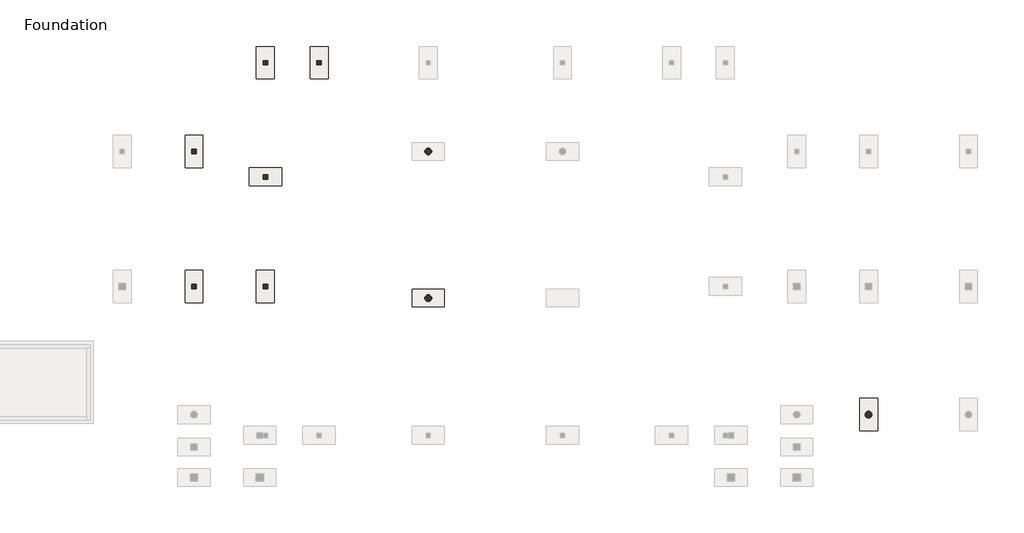
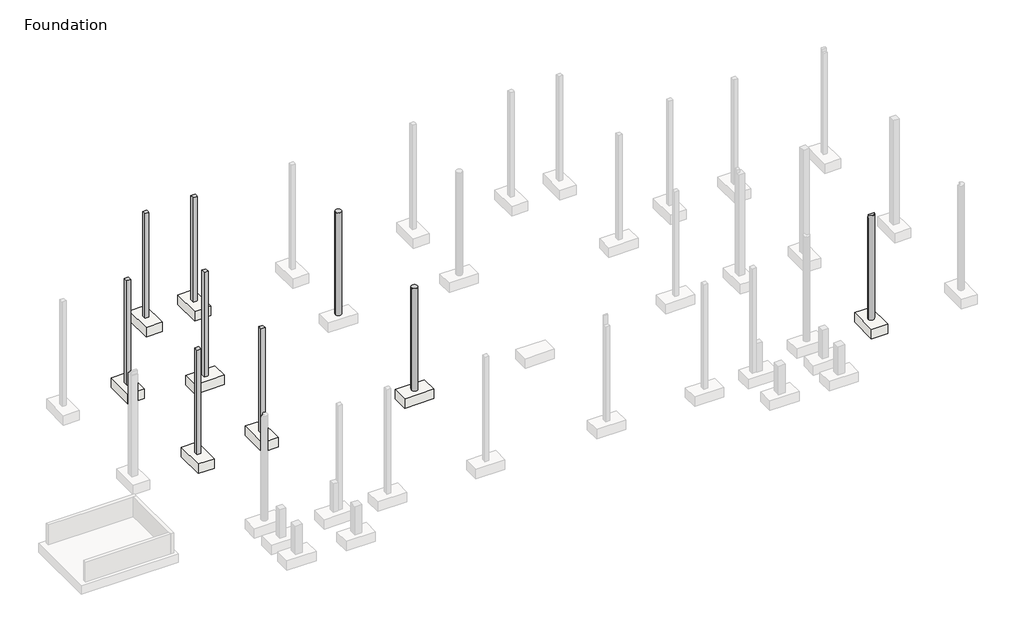
# One storey, part 6 of 10: 9 columns, 8 slabs.
"""IFC4 building model written with IfcOpenShell, lengths in millimetres."""

from ifc_helpers import new_model, si_unit, point, frame, frame_2d, origin, place, context, project, spatial, polyline, circle_curve, trimmed, segment, composite_curve, outline, extrude, faceted_brep, element, save
from ifc_brep_helpers import plane_surface, cylinder_surface, revolved_surface, advanced_brep

model = new_model("IFC4")

# Units and contexts
model_context = context("Model", 3, world=origin())
ifc_project = project(units=[si_unit("LENGTHUNIT", "METRE", prefix="MILLI")], contexts=[model_context])

# Site, building, storey
site = spatial("IfcSite", under=ifc_project)
building = spatial("IfcBuilding", under=site)
storey = spatial("IfcBuildingStorey", under=building, Name="Foundation", Elevation=-1600.0)

# Columns
placement = place(None, origin())
element("IfcColumn", 1, ObjectType="Concrete Round : 300 mm", at=placement, inside=storey, context=model_context, shape_type="SweptSolid", body=[
    extrude(outline(composite_curve([segment(trimmed(circle_curve(frame_2d((-21307.5749186, -12639.7248986)), 150.0), [point((-21457.5749186, -12639.7248986))], [point((-21157.5749186, -12639.7248986))], False, "CARTESIAN"), True, "CONTINUOUS"), segment(trimmed(circle_curve(frame_2d((-21307.5749186, -12639.7248986)), 150.0), [point((-21157.5749186, -12639.7248986))], [point((-21457.5749186, -12639.7248986))], False, "CARTESIAN"), True, "CONTINUOUS")], self_intersect=False)), frame((0.0, 0.0, -1600.0), z_axis=(0.0, 0.0, 1.0), x_axis=(1.0, 0.0, 0.0)), (0.0, 0.0, 1.0), 5394.6349541),
])
element("IfcColumn", 2, ObjectType="Concrete Round : 300 mm", at=placement, inside=storey, context=model_context, shape_type="SweptSolid", body=[
    extrude(outline(composite_curve([segment(trimmed(circle_curve(frame_2d((-21307.5749186, -6089.7248986)), 150.0), [point((-21457.5749186, -6089.7248986))], [point((-21157.5749186, -6089.7248986))], False, "CARTESIAN"), True, "CONTINUOUS"), segment(trimmed(circle_curve(frame_2d((-21307.5749186, -6089.7248986)), 150.0), [point((-21157.5749186, -6089.7248986))], [point((-21457.5749186, -6089.7248986))], False, "CARTESIAN"), True, "CONTINUOUS")], self_intersect=False)), frame((0.0, 0.0, -1600.0), z_axis=(0.0, 0.0, 1.0), x_axis=(1.0, 0.0, 0.0)), (0.0, 0.0, 1.0), 5394.6349541),
])
element("IfcColumn", 3, ObjectType="Concrete Round : 300 mm", at=placement, inside=storey, context=model_context, shape_type="AdvancedBrep", body=[
    advanced_brep(
    [(-1777.5749186, -17852.2248986, -1600.0), (-1477.5749186, -17852.2248986, -1600.0), (-1777.5749186, -17852.2248986, 3720.0), (-1477.5749186, -17852.2248986, 3720.0), (-1477.5749186, -17852.2248986, 3900.0), (-1515.7895181, -17952.2450179, 3900.0), (-1739.3783174, -17952.2248986, 3900.0), (-1777.5749186, -17852.2248986, 3900.0)],
    [
        (0, 1, circle_curve(frame((-1627.5749186, -17852.2248986, -1600.0), z_axis=(0.0, 0.0, -1.0), x_axis=(-1.0, 0.0, 0.0)), 150.0)),
        (1, 0, circle_curve(frame((-1627.5749186, -17852.2248986, -1600.0), z_axis=(0.0, 0.0, -1.0), x_axis=(-1.0, 0.0, 0.0)), 150.0)),
        (0, 2),
        (2, 3, circle_curve(frame((-1627.5749186, -17852.2248986, 3720.0), z_axis=(0.0, 0.0, -1.0), x_axis=(-1.0, 0.0, 0.0)), 150.0)),
        (3, 1),
        (3, 4),
        (4, 5, circle_curve(frame((-1627.5749186, -17852.2248986, 3900.0), z_axis=(0.0, 0.0, -1.0), x_axis=(-1.0, 0.0, 0.0)), 150.0)),
        (5, 6, circle_curve(frame((-1627.5749186, -17852.2248986, 3900.0), z_axis=(0.0, 0.0, -1.0), x_axis=(-1.0, 0.0, 0.0)), 150.0)),
        (6, 7, circle_curve(frame((-1627.5749186, -17852.2248986, 3900.0), z_axis=(0.0, 0.0, -1.0), x_axis=(-1.0, 0.0, 0.0)), 150.0)),
        (7, 2),
        (4, 7),
        (2, 3),
    ],
    [
        plane_surface(frame((-1777.5749186, -17852.2248986, -1600.0), z_axis=(0.0, 0.0, -1.0), x_axis=(0.0, -1.0, 0.0))),
        cylinder_surface(frame((-1627.5749186, -17852.2248986, -1600.0), z_axis=(0.0, 0.0, 1.0), x_axis=(-1.0, 0.0, 0.0)), 150.0),
        plane_surface(frame((-1777.5749186, -17852.2248986, 3900.0), z_axis=(0.0, 0.0, 1.0), x_axis=(0.0, 1.0, 0.0))),
        plane_surface(frame((-1727.5749186, -12119.7248986, 3720.0), z_axis=(0.0, 0.0, 1.0), x_axis=(1.0, 0.0, 0.0))),
        plane_surface(frame((-1627.5749186, -17852.2248986, 3720.0), z_axis=(0.0, 1.0, 0.0), x_axis=(0.0, 0.0, 1.0))),
    ],
    [
        (0, [[1, 2]]),
        (1, [[-1, 3, 4, 5]]),
        (1, [[-2, -5, 6, 7, 8, 9, 10, -3]]),
        (2, [[11, -9, -8, -7]]),
        (3, [[12, -4]]),
        (4, [[-12, -10, -11, -6]]),
    ],
),
])
element("IfcColumn", 4, ObjectType="Concrete-Rectangular-Column : C 20/20", at=placement, inside=storey, context=model_context, shape_type="Brep", body=[
    faceted_brep([(-28490.0749186, -12019.7248986, -1600.0), (-28490.0749186, -12219.7248986, -1600.0), (-28690.0749186, -12219.7248986, -1600.0), (-28690.0749186, -12019.7248986, -1600.0), (-28490.0749186, -12219.7248986, 3900.0), (-28690.0749186, -12219.7248986, 3900.0), (-28690.0749186, -12219.7248986, -100.0), (-28690.0749186, -12219.7248986, -550.0), (-28490.0749186, -12019.7248986, 3900.0), (-28690.0749186, -12019.7248986, 3900.0)], [[[0, 1, 2, 3]], [[2, 1, 4, 5, 6, 7]], [[1, 0, 8, 4]], [[3, 2, 7, 6, 5, 9]], [[0, 3, 9, 8]], [[4, 8, 9, 5]]]),
])
element("IfcColumn", 5, ObjectType="Concrete-Rectangular-Column : C 20/20", at=placement, inside=storey, context=model_context, shape_type="Brep", body=[
    faceted_brep([(-31677.5749186, -5989.7248986, -1600.0), (-31677.5749186, -6189.7248986, -1600.0), (-31877.5749186, -6189.7248986, -1600.0), (-31877.5749186, -5989.7248986, -1600.0), (-31677.5749186, -6189.7248986, 3900.0), (-31877.5749186, -6189.7248986, 3900.0), (-31877.5749186, -6189.7248986, -100.0), (-31877.5749186, -6189.7248986, -550.0), (-31677.5749186, -6189.7248986, -550.0), (-31677.5749186, -6189.7248986, -100.0), (-31677.5749186, -5989.7248986, 3900.0), (-31877.5749186, -6164.7248986, 3900.0), (-31877.5749186, -5989.7248986, 3900.0)], [[[0, 1, 2, 3]], [[4, 5, 6, 7, 2, 1, 8, 9]], [[10, 4, 9, 8, 1, 0]], [[5, 11, 12, 3, 2, 7, 6]], [[12, 10, 0, 3]], [[10, 12, 11, 5, 4]]]),
])
element("IfcColumn", 6, ObjectType="Concrete-Rectangular-Column : C 20/20", at=placement, inside=storey, context=model_context, shape_type="Brep", body=[
    faceted_brep([(-28490.0749186, -7125.9748986, -1600.0), (-28490.0749186, -7325.9748986, -1600.0), (-28690.0749186, -7325.9748986, -1600.0), (-28690.0749186, -7125.9748986, -1600.0), (-28490.0749186, -7325.9748986, 3900.0), (-28690.0749186, -7325.9748986, 3900.0), (-28690.0749186, -7325.9748986, -100.0), (-28690.0749186, -7325.9748986, -550.0), (-28490.0749186, -7325.9748986, -550.0), (-28490.0749186, -7325.9748986, -100.0), (-28490.0749186, -7125.9748986, 3900.0), (-28490.0749186, -7125.9748986, -550.0), (-28490.0749186, -7125.9748986, -100.0), (-28690.0749186, -7125.9748986, 3900.0), (-28690.0749186, -7125.9748986, -100.0), (-28690.0749186, -7125.9748986, -550.0)], [[[0, 1, 2, 3]], [[4, 5, 6, 7, 2, 1, 8, 9]], [[10, 4, 9, 8, 1, 0, 11, 12]], [[5, 13, 14, 15, 3, 2, 7, 6]], [[13, 10, 12, 11, 0, 3, 15, 14]], [[10, 13, 5, 4]]]),
])
element("IfcColumn", 7, ObjectType="Concrete-Rectangular-Column : C 20/20", at=placement, inside=storey, context=model_context, shape_type="Brep", body=[
    faceted_brep([(-28490.0749186, -2024.7248986, -1600.0), (-28490.0749186, -2224.7248986, -1600.0), (-28690.0749186, -2224.7248986, -1600.0), (-28690.0749186, -2024.7248986, -1600.0), (-28490.0749186, -2224.7248986, 3900.0), (-28690.0749186, -2224.7248986, 3900.0), (-28690.0749186, -2224.7248986, 3400.0), (-28690.0749186, -2224.7248986, -100.0), (-28690.0749186, -2224.7248986, -550.0), (-28490.0749186, -2224.7248986, -550.0), (-28490.0749186, -2224.7248986, -100.0), (-28490.0749186, -2224.7248986, 3400.0), (-28490.0749186, -2024.7248986, 3900.0), (-28490.0749186, -2174.7248986, 3900.0), (-28490.0749186, -2024.7248986, -550.0), (-28490.0749186, -2024.7248986, -100.0), (-28690.0749186, -2024.7248986, 3900.0)], [[[0, 1, 2, 3]], [[4, 5, 6, 7, 8, 2, 1, 9, 10, 11]], [[12, 13, 4, 11, 10, 9, 1, 0, 14, 15]], [[5, 16, 3, 2, 8, 7, 6]], [[16, 12, 15, 14, 0, 3]], [[12, 16, 5, 4, 13]]]),
])
element("IfcColumn", 8, ObjectType="Concrete-Rectangular-Column : C 20/20", at=placement, inside=storey, context=model_context, shape_type="Brep", body=[
    faceted_brep([(-31677.5749186, -12019.7248986, -1600.0), (-31677.5749186, -12219.7248986, -1600.0), (-31877.5749186, -12219.7248986, -1600.0), (-31877.5749186, -12019.7248986, -1600.0), (-31677.5749186, -12219.7248986, 3900.0), (-31877.5749186, -12219.7248986, 3900.0), (-31877.5749186, -12219.7248986, -100.0), (-31877.5749186, -12219.7248986, -550.0), (-31677.5749186, -12219.7248986, -550.0), (-31677.5749186, -12219.7248986, -100.0), (-31677.5749186, -12219.7248986, 3500.0), (-31677.5749186, -12019.7248986, 3900.0), (-31677.5749186, -12019.7248986, -550.0), (-31677.5749186, -12019.7248986, -100.0), (-31677.5749186, -12019.7248986, 3500.0), (-31877.5749186, -12019.7248986, 3900.0), (-31877.5749186, -12019.7248986, -100.0), (-31877.5749186, -12019.7248986, -550.0)], [[[0, 1, 2, 3]], [[4, 5, 6, 7, 2, 1, 8, 9, 10]], [[11, 4, 10, 9, 8, 1, 0, 12, 13, 14]], [[5, 15, 16, 17, 3, 2, 7, 6]], [[15, 11, 14, 13, 12, 0, 3, 17, 16]], [[11, 15, 5, 4]]]),
])
element("IfcColumn", 9, ObjectType="Concrete-Rectangular-Column : C 20/20", at=placement, inside=storey, context=model_context, shape_type="Brep", body=[
    faceted_brep([(-26082.5749186, -2024.7248986, -1600.0), (-26082.5749186, -2224.7248986, -1600.0), (-26282.5749186, -2224.7248986, -1600.0), (-26282.5749186, -2024.7248986, -1600.0), (-26082.5749186, -2224.7248986, 3900.0), (-26282.5749186, -2224.7248986, 3900.0), (-26282.5749186, -2224.7248986, 3794.6349541), (-26282.5749186, -2224.7248986, -100.0), (-26282.5749186, -2224.7248986, -550.0), (-26082.5749186, -2224.7248986, -550.0), (-26082.5749186, -2224.7248986, -100.0), (-26082.5749186, -2224.7248986, 3794.6349541), (-26082.5749186, -2024.7248986, 3900.0), (-26082.5749186, -2174.7248986, 3900.0), (-26082.5749186, -2024.7248986, -550.0), (-26082.5749186, -2024.7248986, -100.0), (-26082.5749186, -2024.7248986, 3400.0), (-26282.5749186, -2174.7248986, 3900.0), (-26282.5749186, -2024.7248986, 3900.0), (-26282.5749186, -2024.7248986, 3500.0), (-26282.5749186, -2024.7248986, -100.0), (-26282.5749186, -2024.7248986, -550.0)], [[[0, 1, 2, 3]], [[4, 5, 6, 7, 8, 2, 1, 9, 10, 11]], [[12, 13, 4, 11, 10, 9, 1, 0, 14, 15, 16]], [[5, 17, 18, 19, 20, 21, 3, 2, 8, 7, 6]], [[18, 12, 16, 15, 14, 0, 3, 21, 20, 19]], [[12, 18, 17, 5, 4, 13]]]),
])

# Slabs
element("IfcSlab", 10, ObjectType="Pile Cap for 2 Piles : Type 1", at=placement, inside=storey, context=model_context, shape_type="AdvancedBrep", body=[
    advanced_brep(
    [(-32177.5749186, -12844.7248986, -1600.0), (-31377.5749186, -12844.7248986, -1600.0), (-31377.5749186, -11394.7248986, -1600.0), (-32177.5749186, -11394.7248986, -1600.0), (-32177.5749186, -12844.7248986, -2100.0), (-32177.5749186, -11394.7248986, -2100.0), (-31377.5749186, -11394.7248986, -2100.0), (-31377.5749186, -12844.7248986, -2100.0), (-31644.2415852, -12519.7248986, -2100.0), (-31910.9082519, -12519.7248986, -2100.0), (-31644.2415852, -11719.7248986, -2100.0), (-31910.9082519, -11719.7248986, -2100.0), (-31644.2415852, -11719.7248986, -2050.0), (-31910.9082519, -11719.7248986, -2050.0), (-31644.2415852, -12519.7248986, -2050.0), (-31910.9082519, -12519.7248986, -2050.0)],
    [
        (0, 1),
        (1, 2),
        (2, 3),
        (3, 0),
        (4, 5),
        (5, 6),
        (6, 7),
        (7, 4),
        (8, 9, circle_curve(frame((-31777.5749186, -12519.7248986, -2100.0), z_axis=(0.0, 0.0, 1.0), x_axis=(-1.0, 0.0, 0.0)), 133.3333333)),
        (9, 8, circle_curve(frame((-31777.5749186, -12519.7248986, -2100.0), z_axis=(0.0, 0.0, 1.0), x_axis=(-1.0, 0.0, 0.0)), 133.3333333)),
        (10, 11, circle_curve(frame((-31777.5749186, -11719.7248986, -2100.0), z_axis=(0.0, 0.0, 1.0), x_axis=(-1.0, 0.0, 0.0)), 133.3333333)),
        (11, 10, circle_curve(frame((-31777.5749186, -11719.7248986, -2100.0), z_axis=(0.0, 0.0, 1.0), x_axis=(-1.0, 0.0, 0.0)), 133.3333333)),
        (0, 4),
        (7, 1),
        (6, 2),
        (5, 3),
        (12, 13, circle_curve(frame((-31777.5749186, -11719.7248986, -2050.0), z_axis=(0.0, 0.0, -1.0), x_axis=(-1.0, 0.0, 0.0)), 133.3333333)),
        (13, 12, circle_curve(frame((-31777.5749186, -11719.7248986, -2050.0), z_axis=(0.0, 0.0, -1.0), x_axis=(-1.0, 0.0, 0.0)), 133.3333333)),
        (8, 14),
        (14, 15, circle_curve(frame((-31777.5749186, -12519.7248986, -2050.0), z_axis=(0.0, 0.0, 1.0), x_axis=(-1.0, 0.0, 0.0)), 133.3333333)),
        (15, 9),
        (15, 14, circle_curve(frame((-31777.5749186, -12519.7248986, -2050.0), z_axis=(0.0, 0.0, 1.0), x_axis=(-1.0, 0.0, 0.0)), 133.3333333)),
        (10, 12),
        (13, 11),
    ],
    [
        plane_surface(frame((-31377.5749186, -12844.7248986, -1600.0), z_axis=(0.0, 0.0, 1.0), x_axis=(1.0, 0.0, 0.0))),
        plane_surface(frame((-31377.5749186, -12844.7248986, -2100.0), z_axis=(0.0, 0.0, -1.0), x_axis=(-1.0, 0.0, 0.0))),
        plane_surface(frame((-32177.5749186, -12844.7248986, -1600.0), z_axis=(0.0, -1.0, 0.0), x_axis=(0.0, 0.0, -1.0))),
        plane_surface(frame((-31377.5749186, -12844.7248986, -1600.0), z_axis=(1.0, 0.0, 0.0), x_axis=(0.0, 0.0, -1.0))),
        plane_surface(frame((-31377.5749186, -11394.7248986, -1600.0), z_axis=(0.0, 1.0, 0.0), x_axis=(0.0, 0.0, -1.0))),
        plane_surface(frame((-32177.5749186, -11394.7248986, -1600.0), z_axis=(-1.0, 0.0, 0.0), x_axis=(0.0, 0.0, -1.0))),
        plane_surface(frame((-31910.9082519, -12519.7248986, -2050.0), z_axis=(0.0, 0.0, -1.0), x_axis=(0.0, -1.0, 0.0))),
        revolved_surface(polyline([(-31910.9082519, -12519.7248986, -2050.0), (-31910.9082519, -12519.7248986, -2100.0)]), (-31777.5749186, -12519.7248986, -2100.0), (0.0, 0.0, 1.0)),
        revolved_surface(polyline([(-31910.9082519, -11719.7248986, -2050.0), (-31910.9082519, -11719.7248986, -2100.0)]), (-31777.5749186, -11719.7248986, -1600.0), (0.0, 0.0, 1.0)),
    ],
    [
        (0, [[1, 2, 3, 4]]),
        (1, [[5, 6, 7, 8], [9, 10], [11, 12]]),
        (2, [[-1, 13, -8, 14]]),
        (3, [[-2, -14, -7, 15]]),
        (4, [[-3, -15, -6, 16]]),
        (5, [[-4, -16, -5, -13]]),
        (6, [[17, 18]]),
        (7, [[-9, 19, 20, 21]]),
        (7, [[-10, -21, 22, -19]]),
        (8, [[-11, 23, -18, 24]]),
        (8, [[-12, -24, -17, -23]]),
        (6, [[-22, -20]]),
    ],
),
])
element("IfcSlab", 11, ObjectType="Pile Cap for 2 Piles : Type 1", at=placement, inside=storey, context=model_context, shape_type="AdvancedBrep", body=[
    advanced_brep(
    [(-28990.0749186, -12844.7248986, -1600.0), (-28190.0749186, -12844.7248986, -1600.0), (-28190.0749186, -11394.7248986, -1600.0), (-28990.0749186, -11394.7248986, -1600.0), (-28990.0749186, -12844.7248986, -2100.0), (-28990.0749186, -11394.7248986, -2100.0), (-28190.0749186, -11394.7248986, -2100.0), (-28190.0749186, -12844.7248986, -2100.0), (-28456.7415852, -12519.7248986, -2100.0), (-28723.4082519, -12519.7248986, -2100.0), (-28456.7415852, -11719.7248986, -2100.0), (-28723.4082519, -11719.7248986, -2100.0), (-28456.7415852, -11719.7248986, -2050.0), (-28723.4082519, -11719.7248986, -2050.0), (-28456.7415852, -12519.7248986, -2050.0), (-28723.4082519, -12519.7248986, -2050.0)],
    [
        (0, 1),
        (1, 2),
        (2, 3),
        (3, 0),
        (4, 5),
        (5, 6),
        (6, 7),
        (7, 4),
        (8, 9, circle_curve(frame((-28590.0749186, -12519.7248986, -2100.0), z_axis=(0.0, 0.0, 1.0), x_axis=(-1.0, 0.0, 0.0)), 133.3333333)),
        (9, 8, circle_curve(frame((-28590.0749186, -12519.7248986, -2100.0), z_axis=(0.0, 0.0, 1.0), x_axis=(-1.0, 0.0, 0.0)), 133.3333333)),
        (10, 11, circle_curve(frame((-28590.0749186, -11719.7248986, -2100.0), z_axis=(0.0, 0.0, 1.0), x_axis=(-1.0, 0.0, 0.0)), 133.3333333)),
        (11, 10, circle_curve(frame((-28590.0749186, -11719.7248986, -2100.0), z_axis=(0.0, 0.0, 1.0), x_axis=(-1.0, 0.0, 0.0)), 133.3333333)),
        (0, 4),
        (7, 1),
        (6, 2),
        (5, 3),
        (12, 13, circle_curve(frame((-28590.0749186, -11719.7248986, -2050.0), z_axis=(0.0, 0.0, -1.0), x_axis=(-1.0, 0.0, 0.0)), 133.3333333)),
        (13, 12, circle_curve(frame((-28590.0749186, -11719.7248986, -2050.0), z_axis=(0.0, 0.0, -1.0), x_axis=(-1.0, 0.0, 0.0)), 133.3333333)),
        (8, 14),
        (14, 15, circle_curve(frame((-28590.0749186, -12519.7248986, -2050.0), z_axis=(0.0, 0.0, 1.0), x_axis=(-1.0, 0.0, 0.0)), 133.3333333)),
        (15, 9),
        (15, 14, circle_curve(frame((-28590.0749186, -12519.7248986, -2050.0), z_axis=(0.0, 0.0, 1.0), x_axis=(-1.0, 0.0, 0.0)), 133.3333333)),
        (10, 12),
        (13, 11),
    ],
    [
        plane_surface(frame((-28190.0749186, -12844.7248986, -1600.0), z_axis=(0.0, 0.0, 1.0), x_axis=(1.0, 0.0, 0.0))),
        plane_surface(frame((-28190.0749186, -12844.7248986, -2100.0), z_axis=(0.0, 0.0, -1.0), x_axis=(-1.0, 0.0, 0.0))),
        plane_surface(frame((-28990.0749186, -12844.7248986, -1600.0), z_axis=(0.0, -1.0, 0.0), x_axis=(0.0, 0.0, -1.0))),
        plane_surface(frame((-28190.0749186, -12844.7248986, -1600.0), z_axis=(1.0, 0.0, 0.0), x_axis=(0.0, 0.0, -1.0))),
        plane_surface(frame((-28190.0749186, -11394.7248986, -1600.0), z_axis=(0.0, 1.0, 0.0), x_axis=(0.0, 0.0, -1.0))),
        plane_surface(frame((-28990.0749186, -11394.7248986, -1600.0), z_axis=(-1.0, 0.0, 0.0), x_axis=(0.0, 0.0, -1.0))),
        plane_surface(frame((-28723.4082519, -12519.7248986, -2050.0), z_axis=(0.0, 0.0, -1.0), x_axis=(0.0, -1.0, 0.0))),
        revolved_surface(polyline([(-28723.4082519, -12519.7248986, -2050.0), (-28723.4082519, -12519.7248986, -2100.0)]), (-28590.0749186, -12519.7248986, -2100.0), (0.0, 0.0, 1.0)),
        revolved_surface(polyline([(-28723.4082519, -11719.7248986, -2050.0), (-28723.4082519, -11719.7248986, -2100.0)]), (-28590.0749186, -11719.7248986, -1600.0), (0.0, 0.0, 1.0)),
    ],
    [
        (0, [[1, 2, 3, 4]]),
        (1, [[5, 6, 7, 8], [9, 10], [11, 12]]),
        (2, [[-1, 13, -8, 14]]),
        (3, [[-2, -14, -7, 15]]),
        (4, [[-3, -15, -6, 16]]),
        (5, [[-4, -16, -5, -13]]),
        (6, [[17, 18]]),
        (7, [[-9, 19, 20, 21]]),
        (7, [[-10, -21, 22, -19]]),
        (8, [[-11, 23, -18, 24]]),
        (8, [[-12, -24, -17, -23]]),
        (6, [[-22, -20]]),
    ],
),
])
element("IfcSlab", 12, ObjectType="Pile Cap for 2 Piles : Type 1", at=placement, inside=storey, context=model_context, shape_type="AdvancedBrep", body=[
    advanced_brep(
    [(-22032.5749186, -12239.7248986, -1600.0), (-22032.5749186, -13039.7248986, -1600.0), (-20582.5749186, -13039.7248986, -1600.0), (-20582.5749186, -12239.7248986, -1600.0), (-22032.5749186, -12239.7248986, -2100.0), (-20582.5749186, -12239.7248986, -2100.0), (-20582.5749186, -13039.7248986, -2100.0), (-22032.5749186, -13039.7248986, -2100.0), (-21707.5749186, -12773.058232, -2100.0), (-21707.5749186, -12506.3915653, -2100.0), (-20907.5749186, -12773.058232, -2100.0), (-20907.5749186, -12506.3915653, -2100.0), (-20907.5749186, -12773.058232, -2050.0), (-20907.5749186, -12506.3915653, -2050.0), (-21707.5749186, -12773.058232, -2050.0), (-21707.5749186, -12506.3915653, -2050.0)],
    [
        (0, 1),
        (1, 2),
        (2, 3),
        (3, 0),
        (4, 5),
        (5, 6),
        (6, 7),
        (7, 4),
        (8, 9, circle_curve(frame((-21707.5749186, -12639.7248986, -2100.0), z_axis=(0.0, 0.0, 1.0), x_axis=(0.0, 1.0, 0.0)), 133.3333333)),
        (9, 8, circle_curve(frame((-21707.5749186, -12639.7248986, -2100.0), z_axis=(0.0, 0.0, 1.0), x_axis=(0.0, 1.0, 0.0)), 133.3333333)),
        (10, 11, circle_curve(frame((-20907.5749186, -12639.7248986, -2100.0), z_axis=(0.0, 0.0, 1.0), x_axis=(0.0, 1.0, 0.0)), 133.3333333)),
        (11, 10, circle_curve(frame((-20907.5749186, -12639.7248986, -2100.0), z_axis=(0.0, 0.0, 1.0), x_axis=(0.0, 1.0, 0.0)), 133.3333333)),
        (0, 4),
        (7, 1),
        (6, 2),
        (5, 3),
        (12, 13, circle_curve(frame((-20907.5749186, -12639.7248986, -2050.0), z_axis=(0.0, 0.0, -1.0), x_axis=(0.0, 1.0, 0.0)), 133.3333333)),
        (13, 12, circle_curve(frame((-20907.5749186, -12639.7248986, -2050.0), z_axis=(0.0, 0.0, -1.0), x_axis=(0.0, 1.0, 0.0)), 133.3333333)),
        (8, 14),
        (14, 15, circle_curve(frame((-21707.5749186, -12639.7248986, -2050.0), z_axis=(0.0, 0.0, 1.0), x_axis=(0.0, 1.0, 0.0)), 133.3333333)),
        (15, 9),
        (15, 14, circle_curve(frame((-21707.5749186, -12639.7248986, -2050.0), z_axis=(0.0, 0.0, 1.0), x_axis=(0.0, 1.0, 0.0)), 133.3333333)),
        (10, 12),
        (13, 11),
    ],
    [
        plane_surface(frame((-22032.5749186, -13039.7248986, -1600.0), z_axis=(0.0, 0.0, 1.0), x_axis=(0.0, -1.0, 0.0))),
        plane_surface(frame((-22032.5749186, -13039.7248986, -2100.0), z_axis=(0.0, 0.0, -1.0), x_axis=(0.0, 1.0, 0.0))),
        plane_surface(frame((-22032.5749186, -12239.7248986, -1600.0), z_axis=(-1.0, 0.0, 0.0), x_axis=(0.0, 0.0, -1.0))),
        plane_surface(frame((-22032.5749186, -13039.7248986, -1600.0), z_axis=(0.0, -1.0, 0.0), x_axis=(0.0, 0.0, -1.0))),
        plane_surface(frame((-20582.5749186, -13039.7248986, -1600.0), z_axis=(1.0, 0.0, 0.0), x_axis=(0.0, 0.0, -1.0))),
        plane_surface(frame((-20582.5749186, -12239.7248986, -1600.0), z_axis=(0.0, 1.0, 0.0), x_axis=(0.0, 0.0, -1.0))),
        plane_surface(frame((-21707.5749186, -12506.3915653, -2050.0), z_axis=(0.0, 0.0, -1.0), x_axis=(-1.0, 0.0, 0.0))),
        revolved_surface(polyline([(-21707.5749186, -12506.3915653, -2050.0), (-21707.5749186, -12506.3915653, -2100.0)]), (-21707.5749186, -12639.7248986, -2100.0), (0.0, 0.0, 1.0)),
        revolved_surface(polyline([(-20907.5749186, -12506.3915653, -2050.0), (-20907.5749186, -12506.3915653, -2100.0)]), (-20907.5749186, -12639.7248986, -1600.0), (0.0, 0.0, 1.0)),
    ],
    [
        (0, [[1, 2, 3, 4]]),
        (1, [[5, 6, 7, 8], [9, 10], [11, 12]]),
        (2, [[-1, 13, -8, 14]]),
        (3, [[-2, -14, -7, 15]]),
        (4, [[-3, -15, -6, 16]]),
        (5, [[-4, -16, -5, -13]]),
        (6, [[17, 18]]),
        (7, [[-9, 19, 20, 21]]),
        (7, [[-10, -21, 22, -19]]),
        (8, [[-11, 23, -18, 24]]),
        (8, [[-12, -24, -17, -23]]),
        (6, [[-22, -20]]),
    ],
),
])
element("IfcSlab", 13, ObjectType="Pile Cap for 2 Piles : Type 1", at=placement, inside=storey, context=model_context, shape_type="AdvancedBrep", body=[
    advanced_brep(
    [(-32177.5749186, -6814.7248986, -1600.0), (-31377.5749186, -6814.7248986, -1600.0), (-31377.5749186, -5364.7248986, -1600.0), (-32177.5749186, -5364.7248986, -1600.0), (-32177.5749186, -6814.7248986, -2100.0), (-32177.5749186, -5364.7248986, -2100.0), (-31377.5749186, -5364.7248986, -2100.0), (-31377.5749186, -6814.7248986, -2100.0), (-31644.2415852, -6489.7248986, -2100.0), (-31910.9082519, -6489.7248986, -2100.0), (-31644.2415852, -5689.7248986, -2100.0), (-31910.9082519, -5689.7248986, -2100.0), (-31644.2415852, -5689.7248986, -2050.0), (-31910.9082519, -5689.7248986, -2050.0), (-31644.2415852, -6489.7248986, -2050.0), (-31910.9082519, -6489.7248986, -2050.0)],
    [
        (0, 1),
        (1, 2),
        (2, 3),
        (3, 0),
        (4, 5),
        (5, 6),
        (6, 7),
        (7, 4),
        (8, 9, circle_curve(frame((-31777.5749186, -6489.7248986, -2100.0), z_axis=(0.0, 0.0, 1.0), x_axis=(-1.0, 0.0, 0.0)), 133.3333333)),
        (9, 8, circle_curve(frame((-31777.5749186, -6489.7248986, -2100.0), z_axis=(0.0, 0.0, 1.0), x_axis=(-1.0, 0.0, 0.0)), 133.3333333)),
        (10, 11, circle_curve(frame((-31777.5749186, -5689.7248986, -2100.0), z_axis=(0.0, 0.0, 1.0), x_axis=(-1.0, 0.0, 0.0)), 133.3333333)),
        (11, 10, circle_curve(frame((-31777.5749186, -5689.7248986, -2100.0), z_axis=(0.0, 0.0, 1.0), x_axis=(-1.0, 0.0, 0.0)), 133.3333333)),
        (0, 4),
        (7, 1),
        (6, 2),
        (5, 3),
        (12, 13, circle_curve(frame((-31777.5749186, -5689.7248986, -2050.0), z_axis=(0.0, 0.0, -1.0), x_axis=(-1.0, 0.0, 0.0)), 133.3333333)),
        (13, 12, circle_curve(frame((-31777.5749186, -5689.7248986, -2050.0), z_axis=(0.0, 0.0, -1.0), x_axis=(-1.0, 0.0, 0.0)), 133.3333333)),
        (8, 14),
        (14, 15, circle_curve(frame((-31777.5749186, -6489.7248986, -2050.0), z_axis=(0.0, 0.0, 1.0), x_axis=(-1.0, 0.0, 0.0)), 133.3333333)),
        (15, 9),
        (15, 14, circle_curve(frame((-31777.5749186, -6489.7248986, -2050.0), z_axis=(0.0, 0.0, 1.0), x_axis=(-1.0, 0.0, 0.0)), 133.3333333)),
        (10, 12),
        (13, 11),
    ],
    [
        plane_surface(frame((-31377.5749186, -6814.7248986, -1600.0), z_axis=(0.0, 0.0, 1.0), x_axis=(1.0, 0.0, 0.0))),
        plane_surface(frame((-31377.5749186, -6814.7248986, -2100.0), z_axis=(0.0, 0.0, -1.0), x_axis=(-1.0, 0.0, 0.0))),
        plane_surface(frame((-32177.5749186, -6814.7248986, -1600.0), z_axis=(0.0, -1.0, 0.0), x_axis=(0.0, 0.0, -1.0))),
        plane_surface(frame((-31377.5749186, -6814.7248986, -1600.0), z_axis=(1.0, 0.0, 0.0), x_axis=(0.0, 0.0, -1.0))),
        plane_surface(frame((-31377.5749186, -5364.7248986, -1600.0), z_axis=(0.0, 1.0, 0.0), x_axis=(0.0, 0.0, -1.0))),
        plane_surface(frame((-32177.5749186, -5364.7248986, -1600.0), z_axis=(-1.0, 0.0, 0.0), x_axis=(0.0, 0.0, -1.0))),
        plane_surface(frame((-31910.9082519, -6489.7248986, -2050.0), z_axis=(0.0, 0.0, -1.0), x_axis=(0.0, -1.0, 0.0))),
        revolved_surface(polyline([(-31910.9082519, -6489.7248986, -2050.0), (-31910.9082519, -6489.7248986, -2100.0)]), (-31777.5749186, -6489.7248986, -2100.0), (0.0, 0.0, 1.0)),
        revolved_surface(polyline([(-31910.9082519, -5689.7248986, -2050.0), (-31910.9082519, -5689.7248986, -2100.0)]), (-31777.5749186, -5689.7248986, -1600.0), (0.0, 0.0, 1.0)),
    ],
    [
        (0, [[1, 2, 3, 4]]),
        (1, [[5, 6, 7, 8], [9, 10], [11, 12]]),
        (2, [[-1, 13, -8, 14]]),
        (3, [[-2, -14, -7, 15]]),
        (4, [[-3, -15, -6, 16]]),
        (5, [[-4, -16, -5, -13]]),
        (6, [[17, 18]]),
        (7, [[-9, 19, 20, 21]]),
        (7, [[-10, -21, 22, -19]]),
        (8, [[-11, 23, -18, 24]]),
        (8, [[-12, -24, -17, -23]]),
        (6, [[-22, -20]]),
    ],
),
])
element("IfcSlab", 14, ObjectType="Pile Cap for 2 Piles : Type 1", at=placement, inside=storey, context=model_context, shape_type="AdvancedBrep", body=[
    advanced_brep(
    [(-29315.0749186, -6825.9748986, -1600.0), (-29315.0749186, -7625.9748986, -1600.0), (-27865.0749186, -7625.9748986, -1600.0), (-27865.0749186, -6825.9748986, -1600.0), (-29315.0749186, -6825.9748986, -2100.0), (-27865.0749186, -6825.9748986, -2100.0), (-27865.0749186, -7625.9748986, -2100.0), (-29315.0749186, -7625.9748986, -2100.0), (-28990.0749186, -7359.308232, -2100.0), (-28990.0749186, -7092.6415653, -2100.0), (-28190.0749186, -7359.308232, -2100.0), (-28190.0749186, -7092.6415653, -2100.0), (-28190.0749186, -7359.308232, -2050.0), (-28190.0749186, -7092.6415653, -2050.0), (-28990.0749186, -7359.308232, -2050.0), (-28990.0749186, -7092.6415653, -2050.0)],
    [
        (0, 1),
        (1, 2),
        (2, 3),
        (3, 0),
        (4, 5),
        (5, 6),
        (6, 7),
        (7, 4),
        (8, 9, circle_curve(frame((-28990.0749186, -7225.9748986, -2100.0), z_axis=(0.0, 0.0, 1.0), x_axis=(0.0, 1.0, 0.0)), 133.3333333)),
        (9, 8, circle_curve(frame((-28990.0749186, -7225.9748986, -2100.0), z_axis=(0.0, 0.0, 1.0), x_axis=(0.0, 1.0, 0.0)), 133.3333333)),
        (10, 11, circle_curve(frame((-28190.0749186, -7225.9748986, -2100.0), z_axis=(0.0, 0.0, 1.0), x_axis=(0.0, 1.0, 0.0)), 133.3333333)),
        (11, 10, circle_curve(frame((-28190.0749186, -7225.9748986, -2100.0), z_axis=(0.0, 0.0, 1.0), x_axis=(0.0, 1.0, 0.0)), 133.3333333)),
        (0, 4),
        (7, 1),
        (6, 2),
        (5, 3),
        (12, 13, circle_curve(frame((-28190.0749186, -7225.9748986, -2050.0), z_axis=(0.0, 0.0, -1.0), x_axis=(0.0, 1.0, 0.0)), 133.3333333)),
        (13, 12, circle_curve(frame((-28190.0749186, -7225.9748986, -2050.0), z_axis=(0.0, 0.0, -1.0), x_axis=(0.0, 1.0, 0.0)), 133.3333333)),
        (8, 14),
        (14, 15, circle_curve(frame((-28990.0749186, -7225.9748986, -2050.0), z_axis=(0.0, 0.0, 1.0), x_axis=(0.0, 1.0, 0.0)), 133.3333333)),
        (15, 9),
        (15, 14, circle_curve(frame((-28990.0749186, -7225.9748986, -2050.0), z_axis=(0.0, 0.0, 1.0), x_axis=(0.0, 1.0, 0.0)), 133.3333333)),
        (10, 12),
        (13, 11),
    ],
    [
        plane_surface(frame((-29315.0749186, -7625.9748986, -1600.0), z_axis=(0.0, 0.0, 1.0), x_axis=(0.0, -1.0, 0.0))),
        plane_surface(frame((-29315.0749186, -7625.9748986, -2100.0), z_axis=(0.0, 0.0, -1.0), x_axis=(0.0, 1.0, 0.0))),
        plane_surface(frame((-29315.0749186, -6825.9748986, -1600.0), z_axis=(-1.0, 0.0, 0.0), x_axis=(0.0, 0.0, -1.0))),
        plane_surface(frame((-29315.0749186, -7625.9748986, -1600.0), z_axis=(0.0, -1.0, 0.0), x_axis=(0.0, 0.0, -1.0))),
        plane_surface(frame((-27865.0749186, -7625.9748986, -1600.0), z_axis=(1.0, 0.0, 0.0), x_axis=(0.0, 0.0, -1.0))),
        plane_surface(frame((-27865.0749186, -6825.9748986, -1600.0), z_axis=(0.0, 1.0, 0.0), x_axis=(0.0, 0.0, -1.0))),
        plane_surface(frame((-28990.0749186, -7092.6415653, -2050.0), z_axis=(0.0, 0.0, -1.0), x_axis=(-1.0, 0.0, 0.0))),
        revolved_surface(polyline([(-28990.0749186, -7092.6415653, -2050.0), (-28990.0749186, -7092.6415653, -2100.0)]), (-28990.0749186, -7225.9748986, -2100.0), (0.0, 0.0, 1.0)),
        revolved_surface(polyline([(-28190.0749186, -7092.6415653, -2050.0), (-28190.0749186, -7092.6415653, -2100.0)]), (-28190.0749186, -7225.9748986, -1600.0), (0.0, 0.0, 1.0)),
    ],
    [
        (0, [[1, 2, 3, 4]]),
        (1, [[5, 6, 7, 8], [9, 10], [11, 12]]),
        (2, [[-1, 13, -8, 14]]),
        (3, [[-2, -14, -7, 15]]),
        (4, [[-3, -15, -6, 16]]),
        (5, [[-4, -16, -5, -13]]),
        (6, [[17, 18]]),
        (7, [[-9, 19, 20, 21]]),
        (7, [[-10, -21, 22, -19]]),
        (8, [[-11, 23, -18, 24]]),
        (8, [[-12, -24, -17, -23]]),
        (6, [[-22, -20]]),
    ],
),
])
element("IfcSlab", 15, ObjectType="Pile Cap for 2 Piles : Type 1", at=placement, inside=storey, context=model_context, shape_type="AdvancedBrep", body=[
    advanced_brep(
    [(-28990.0749186, -2849.7248986, -1600.0), (-28190.0749186, -2849.7248986, -1600.0), (-28190.0749186, -1399.7248986, -1600.0), (-28990.0749186, -1399.7248986, -1600.0), (-28990.0749186, -2849.7248986, -2100.0), (-28990.0749186, -1399.7248986, -2100.0), (-28190.0749186, -1399.7248986, -2100.0), (-28190.0749186, -2849.7248986, -2100.0), (-28456.7415852, -2524.7248986, -2100.0), (-28723.4082519, -2524.7248986, -2100.0), (-28456.7415852, -1724.7248986, -2100.0), (-28723.4082519, -1724.7248986, -2100.0), (-28456.7415852, -1724.7248986, -2050.0), (-28723.4082519, -1724.7248986, -2050.0), (-28456.7415852, -2524.7248986, -2050.0), (-28723.4082519, -2524.7248986, -2050.0)],
    [
        (0, 1),
        (1, 2),
        (2, 3),
        (3, 0),
        (4, 5),
        (5, 6),
        (6, 7),
        (7, 4),
        (8, 9, circle_curve(frame((-28590.0749186, -2524.7248986, -2100.0), z_axis=(0.0, 0.0, 1.0), x_axis=(-1.0, 0.0, 0.0)), 133.3333333)),
        (9, 8, circle_curve(frame((-28590.0749186, -2524.7248986, -2100.0), z_axis=(0.0, 0.0, 1.0), x_axis=(-1.0, 0.0, 0.0)), 133.3333333)),
        (10, 11, circle_curve(frame((-28590.0749186, -1724.7248986, -2100.0), z_axis=(0.0, 0.0, 1.0), x_axis=(-1.0, 0.0, 0.0)), 133.3333333)),
        (11, 10, circle_curve(frame((-28590.0749186, -1724.7248986, -2100.0), z_axis=(0.0, 0.0, 1.0), x_axis=(-1.0, 0.0, 0.0)), 133.3333333)),
        (0, 4),
        (7, 1),
        (6, 2),
        (5, 3),
        (12, 13, circle_curve(frame((-28590.0749186, -1724.7248986, -2050.0), z_axis=(0.0, 0.0, -1.0), x_axis=(-1.0, 0.0, 0.0)), 133.3333333)),
        (13, 12, circle_curve(frame((-28590.0749186, -1724.7248986, -2050.0), z_axis=(0.0, 0.0, -1.0), x_axis=(-1.0, 0.0, 0.0)), 133.3333333)),
        (8, 14),
        (14, 15, circle_curve(frame((-28590.0749186, -2524.7248986, -2050.0), z_axis=(0.0, 0.0, 1.0), x_axis=(-1.0, 0.0, 0.0)), 133.3333333)),
        (15, 9),
        (15, 14, circle_curve(frame((-28590.0749186, -2524.7248986, -2050.0), z_axis=(0.0, 0.0, 1.0), x_axis=(-1.0, 0.0, 0.0)), 133.3333333)),
        (10, 12),
        (13, 11),
    ],
    [
        plane_surface(frame((-28190.0749186, -2849.7248986, -1600.0), z_axis=(0.0, 0.0, 1.0), x_axis=(1.0, 0.0, 0.0))),
        plane_surface(frame((-28190.0749186, -2849.7248986, -2100.0), z_axis=(0.0, 0.0, -1.0), x_axis=(-1.0, 0.0, 0.0))),
        plane_surface(frame((-28990.0749186, -2849.7248986, -1600.0), z_axis=(0.0, -1.0, 0.0), x_axis=(0.0, 0.0, -1.0))),
        plane_surface(frame((-28190.0749186, -2849.7248986, -1600.0), z_axis=(1.0, 0.0, 0.0), x_axis=(0.0, 0.0, -1.0))),
        plane_surface(frame((-28190.0749186, -1399.7248986, -1600.0), z_axis=(0.0, 1.0, 0.0), x_axis=(0.0, 0.0, -1.0))),
        plane_surface(frame((-28990.0749186, -1399.7248986, -1600.0), z_axis=(-1.0, 0.0, 0.0), x_axis=(0.0, 0.0, -1.0))),
        plane_surface(frame((-28723.4082519, -2524.7248986, -2050.0), z_axis=(0.0, 0.0, -1.0), x_axis=(0.0, -1.0, 0.0))),
        revolved_surface(polyline([(-28723.4082519, -2524.7248986, -2050.0), (-28723.4082519, -2524.7248986, -2100.0)]), (-28590.0749186, -2524.7248986, -2100.0), (0.0, 0.0, 1.0)),
        revolved_surface(polyline([(-28723.4082519, -1724.7248986, -2050.0), (-28723.4082519, -1724.7248986, -2100.0)]), (-28590.0749186, -1724.7248986, -1600.0), (0.0, 0.0, 1.0)),
    ],
    [
        (0, [[1, 2, 3, 4]]),
        (1, [[5, 6, 7, 8], [9, 10], [11, 12]]),
        (2, [[-1, 13, -8, 14]]),
        (3, [[-2, -14, -7, 15]]),
        (4, [[-3, -15, -6, 16]]),
        (5, [[-4, -16, -5, -13]]),
        (6, [[17, 18]]),
        (7, [[-9, 19, 20, 21]]),
        (7, [[-10, -21, 22, -19]]),
        (8, [[-11, 23, -18, 24]]),
        (8, [[-12, -24, -17, -23]]),
        (6, [[-22, -20]]),
    ],
),
])
element("IfcSlab", 16, ObjectType="Pile Cap for 2 Piles : Type 1", at=placement, inside=storey, context=model_context, shape_type="AdvancedBrep", body=[
    advanced_brep(
    [(-26582.5749186, -2849.7248986, -1600.0), (-25782.5749186, -2849.7248986, -1600.0), (-25782.5749186, -1399.7248986, -1600.0), (-26582.5749186, -1399.7248986, -1600.0), (-26582.5749186, -2849.7248986, -2100.0), (-26582.5749186, -1399.7248986, -2100.0), (-25782.5749186, -1399.7248986, -2100.0), (-25782.5749186, -2849.7248986, -2100.0), (-26049.2415852, -2524.7248986, -2100.0), (-26315.9082519, -2524.7248986, -2100.0), (-26049.2415852, -1724.7248986, -2100.0), (-26315.9082519, -1724.7248986, -2100.0), (-26049.2415852, -1724.7248986, -2050.0), (-26315.9082519, -1724.7248986, -2050.0), (-26049.2415852, -2524.7248986, -2050.0), (-26315.9082519, -2524.7248986, -2050.0)],
    [
        (0, 1),
        (1, 2),
        (2, 3),
        (3, 0),
        (4, 5),
        (5, 6),
        (6, 7),
        (7, 4),
        (8, 9, circle_curve(frame((-26182.5749186, -2524.7248986, -2100.0), z_axis=(0.0, 0.0, 1.0), x_axis=(-1.0, 0.0, 0.0)), 133.3333333)),
        (9, 8, circle_curve(frame((-26182.5749186, -2524.7248986, -2100.0), z_axis=(0.0, 0.0, 1.0), x_axis=(-1.0, 0.0, 0.0)), 133.3333333)),
        (10, 11, circle_curve(frame((-26182.5749186, -1724.7248986, -2100.0), z_axis=(0.0, 0.0, 1.0), x_axis=(-1.0, 0.0, 0.0)), 133.3333333)),
        (11, 10, circle_curve(frame((-26182.5749186, -1724.7248986, -2100.0), z_axis=(0.0, 0.0, 1.0), x_axis=(-1.0, 0.0, 0.0)), 133.3333333)),
        (0, 4),
        (7, 1),
        (6, 2),
        (5, 3),
        (12, 13, circle_curve(frame((-26182.5749186, -1724.7248986, -2050.0), z_axis=(0.0, 0.0, -1.0), x_axis=(-1.0, 0.0, 0.0)), 133.3333333)),
        (13, 12, circle_curve(frame((-26182.5749186, -1724.7248986, -2050.0), z_axis=(0.0, 0.0, -1.0), x_axis=(-1.0, 0.0, 0.0)), 133.3333333)),
        (8, 14),
        (14, 15, circle_curve(frame((-26182.5749186, -2524.7248986, -2050.0), z_axis=(0.0, 0.0, 1.0), x_axis=(-1.0, 0.0, 0.0)), 133.3333333)),
        (15, 9),
        (15, 14, circle_curve(frame((-26182.5749186, -2524.7248986, -2050.0), z_axis=(0.0, 0.0, 1.0), x_axis=(-1.0, 0.0, 0.0)), 133.3333333)),
        (10, 12),
        (13, 11),
    ],
    [
        plane_surface(frame((-25782.5749186, -2849.7248986, -1600.0), z_axis=(0.0, 0.0, 1.0), x_axis=(1.0, 0.0, 0.0))),
        plane_surface(frame((-25782.5749186, -2849.7248986, -2100.0), z_axis=(0.0, 0.0, -1.0), x_axis=(-1.0, 0.0, 0.0))),
        plane_surface(frame((-26582.5749186, -2849.7248986, -1600.0), z_axis=(0.0, -1.0, 0.0), x_axis=(0.0, 0.0, -1.0))),
        plane_surface(frame((-25782.5749186, -2849.7248986, -1600.0), z_axis=(1.0, 0.0, 0.0), x_axis=(0.0, 0.0, -1.0))),
        plane_surface(frame((-25782.5749186, -1399.7248986, -1600.0), z_axis=(0.0, 1.0, 0.0), x_axis=(0.0, 0.0, -1.0))),
        plane_surface(frame((-26582.5749186, -1399.7248986, -1600.0), z_axis=(-1.0, 0.0, 0.0), x_axis=(0.0, 0.0, -1.0))),
        plane_surface(frame((-26315.9082519, -2524.7248986, -2050.0), z_axis=(0.0, 0.0, -1.0), x_axis=(0.0, -1.0, 0.0))),
        revolved_surface(polyline([(-26315.9082519, -2524.7248986, -2050.0), (-26315.9082519, -2524.7248986, -2100.0)]), (-26182.5749186, -2524.7248986, -2100.0), (0.0, 0.0, 1.0)),
        revolved_surface(polyline([(-26315.9082519, -1724.7248986, -2050.0), (-26315.9082519, -1724.7248986, -2100.0)]), (-26182.5749186, -1724.7248986, -1600.0), (0.0, 0.0, 1.0)),
    ],
    [
        (0, [[1, 2, 3, 4]]),
        (1, [[5, 6, 7, 8], [9, 10], [11, 12]]),
        (2, [[-1, 13, -8, 14]]),
        (3, [[-2, -14, -7, 15]]),
        (4, [[-3, -15, -6, 16]]),
        (5, [[-4, -16, -5, -13]]),
        (6, [[17, 18]]),
        (7, [[-9, 19, 20, 21]]),
        (7, [[-10, -21, 22, -19]]),
        (8, [[-11, 23, -18, 24]]),
        (8, [[-12, -24, -17, -23]]),
        (6, [[-22, -20]]),
    ],
),
])
element("IfcSlab", 17, ObjectType="Pile Cap for 2 Piles : Type 1", at=placement, inside=storey, context=model_context, shape_type="AdvancedBrep", body=[
    advanced_brep(
    [(-2027.5749186, -18577.2248986, -1600.0), (-1227.5749186, -18577.2248986, -1600.0), (-1227.5749186, -17127.2248986, -1600.0), (-2027.5749186, -17127.2248986, -1600.0), (-1227.5749186, -17127.2248986, -2100.0), (-1227.5749186, -18577.2248986, -2100.0), (-2027.5749186, -18577.2248986, -2100.0), (-2027.5749186, -17127.2248986, -2100.0), (-1494.2415852, -18252.2248986, -2100.0), (-1760.9082519, -18252.2248986, -2100.0), (-1494.2415852, -17452.2248986, -2100.0), (-1760.9082519, -17452.2248986, -2100.0), (-1494.2415852, -17452.2248986, -2050.0), (-1760.9082519, -17452.2248986, -2050.0), (-1494.2415852, -18252.2248986, -2050.0), (-1760.9082519, -18252.2248986, -2050.0)],
    [
        (0, 1),
        (1, 2),
        (2, 3),
        (3, 0),
        (4, 5),
        (5, 6),
        (6, 7),
        (7, 4),
        (8, 9, circle_curve(frame((-1627.5749186, -18252.2248986, -2100.0), z_axis=(0.0, 0.0, 1.0), x_axis=(1.0, 0.0, 0.0)), 133.3333333)),
        (9, 8, circle_curve(frame((-1627.5749186, -18252.2248986, -2100.0), z_axis=(0.0, 0.0, 1.0), x_axis=(1.0, 0.0, 0.0)), 133.3333333)),
        (10, 11, circle_curve(frame((-1627.5749186, -17452.2248986, -2100.0), z_axis=(0.0, 0.0, 1.0), x_axis=(1.0, 0.0, 0.0)), 133.3333333)),
        (11, 10, circle_curve(frame((-1627.5749186, -17452.2248986, -2100.0), z_axis=(0.0, 0.0, 1.0), x_axis=(1.0, 0.0, 0.0)), 133.3333333)),
        (0, 6),
        (5, 1),
        (3, 7),
        (2, 4),
        (12, 13, circle_curve(frame((-1627.5749186, -17452.2248986, -2050.0), z_axis=(0.0, 0.0, -1.0), x_axis=(1.0, 0.0, 0.0)), 133.3333333)),
        (13, 12, circle_curve(frame((-1627.5749186, -17452.2248986, -2050.0), z_axis=(0.0, 0.0, -1.0), x_axis=(1.0, 0.0, 0.0)), 133.3333333)),
        (8, 14),
        (14, 15, circle_curve(frame((-1627.5749186, -18252.2248986, -2050.0), z_axis=(0.0, 0.0, 1.0), x_axis=(1.0, 0.0, 0.0)), 133.3333333)),
        (15, 9),
        (15, 14, circle_curve(frame((-1627.5749186, -18252.2248986, -2050.0), z_axis=(0.0, 0.0, 1.0), x_axis=(1.0, 0.0, 0.0)), 133.3333333)),
        (10, 12),
        (13, 11),
    ],
    [
        plane_surface(frame((-2027.5749186, -18577.2248986, -1600.0), z_axis=(0.0, 0.0, 1.0), x_axis=(-1.0, 0.0, 0.0))),
        plane_surface(frame((-2027.5749186, -18577.2248986, -2100.0), z_axis=(0.0, 0.0, -1.0), x_axis=(1.0, 0.0, 0.0))),
        plane_surface(frame((-1227.5749186, -18577.2248986, -1600.0), z_axis=(0.0, -1.0, 0.0), x_axis=(0.0, 0.0, -1.0))),
        plane_surface(frame((-2027.5749186, -18577.2248986, -1600.0), z_axis=(-1.0, 0.0, 0.0), x_axis=(0.0, 0.0, -1.0))),
        plane_surface(frame((-2027.5749186, -17127.2248986, -1600.0), z_axis=(0.0, 1.0, 0.0), x_axis=(0.0, 0.0, -1.0))),
        plane_surface(frame((-1227.5749186, -17127.2248986, -1600.0), z_axis=(1.0, 0.0, 0.0), x_axis=(0.0, 0.0, -1.0))),
        plane_surface(frame((-1494.2415852, -18252.2248986, -2050.0), z_axis=(0.0, 0.0, -1.0), x_axis=(0.0, -1.0, 0.0))),
        revolved_surface(polyline([(-1494.2415853, -18252.2248986, -2050.0), (-1494.2415853, -18252.2248986, -2100.0)]), (-1627.5749186, -18252.2248986, -2100.0), (0.0, 0.0, 1.0)),
        revolved_surface(polyline([(-1494.2415853, -17452.2248986, -2050.0), (-1494.2415853, -17452.2248986, -2100.0)]), (-1627.5749186, -17452.2248986, -1600.0), (0.0, 0.0, 1.0)),
    ],
    [
        (0, [[1, 2, 3, 4]]),
        (1, [[5, 6, 7, 8], [9, 10], [11, 12]]),
        (2, [[-1, 13, -6, 14]]),
        (3, [[-4, 15, -7, -13]]),
        (4, [[-3, 16, -8, -15]]),
        (5, [[-2, -14, -5, -16]]),
        (6, [[17, 18]]),
        (7, [[-9, 19, 20, 21]]),
        (7, [[-10, -21, 22, -19]]),
        (8, [[-11, 23, -18, 24]]),
        (8, [[-12, -24, -17, -23]]),
        (6, [[-22, -20]]),
    ],
),
])

save(model, "model.ifc")
